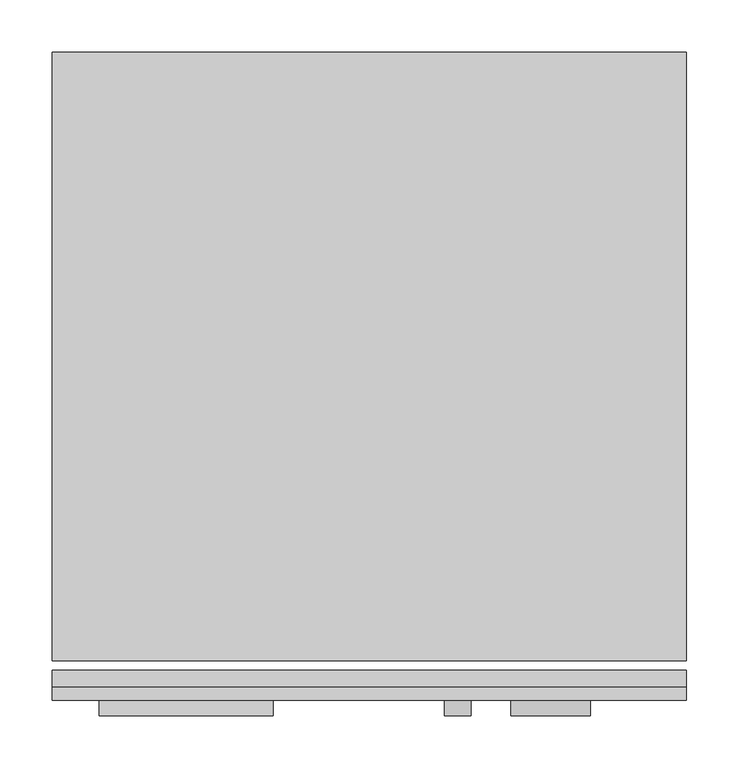
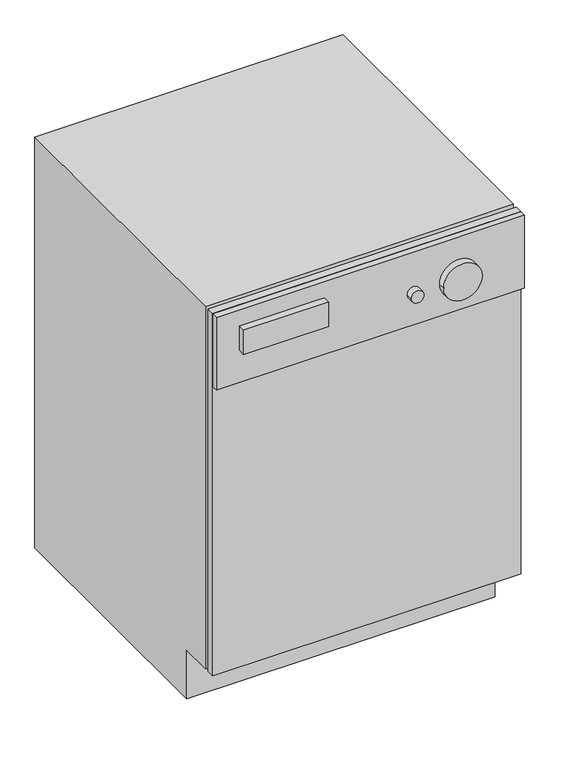
"""IFC4 building model written with IfcOpenShell, lengths in millimetres: proxy geometry."""

from ifc_helpers import new_model, si_unit, point, frame, frame_2d, origin, place, context, project, spatial, polyline, circle_curve, trimmed, segment, composite_curve, outline, extrude, source, transform, mapped, element, save


def specialty_equipment_47db8dec(model_context):
    return source(origin(), model_context, "Body", "SweptSolid", [
        extrude(outline(polyline([(687.5174685, -38.3504352), (77.5174685, -38.3504352), (77.5174685, -22.4754352), (687.5174685, -22.4754352), (687.5174685, -38.3504352)])), frame((0.0, 0.0, 101.6), z_axis=(0.0, 0.0, 1.0), x_axis=(1.0, 0.0, 0.0)), (0.0, 0.0, 1.0), 758.4),
        extrude(outline(polyline([(687.5174685, -38.3504352), (687.5174685, -51.0504352), (77.5174685, -51.0504352), (77.5174685, -38.3504352), (687.5174685, -38.3504352)])), frame((0.0, 0.0, 707.6), z_axis=(0.0, 0.0, 1.0), x_axis=(1.0, 0.0, 0.0)), (0.0, 0.0, 1.0), 152.4),
        extrude(outline(polyline([(571.6495648, 0.0), (50.5495648, 0.0), (50.5495648, 101.6), (-12.9504352, 101.6), (-12.9504352, 860.0), (571.6495648, 860.0), (571.6495648, 0.0)])), frame((77.5174685, 0.0, 0.0), z_axis=(1.0, 0.0, 0.0), x_axis=(0.0, 1.0, 0.0)), (0.0, 0.0, 1.0), 610.0),
        extrude(outline(polyline([(290.2347603, -66.0504352), (122.8347603, -66.0504352), (122.8347603, -51.0504352), (290.2347603, -51.0504352), (290.2347603, -66.0504352)])), frame((0.0, 0.0, 775.6663551), z_axis=(0.0, 0.0, 1.0), x_axis=(1.0, 0.0, 0.0)), (0.0, 0.0, 1.0), 50.8),
        extrude(outline(composite_curve([segment(trimmed(circle_curve(frame_2d((775.6663551, 467.3393328)), 12.7), [point((775.6663551, 480.0393328))], [point((775.6663551, 454.6393328))], False, "CARTESIAN"), True, "CONTINUOUS"), segment(trimmed(circle_curve(frame_2d((775.6663551, 467.3393328)), 12.7), [point((775.6663551, 454.6393328))], [point((775.6663551, 480.0393328))], False, "CARTESIAN"), True, "CONTINUOUS")], self_intersect=False)), frame((0.0, -66.0504352, 0.0), z_axis=(0.0, 1.0, 0.0), x_axis=(0.0, 0.0, 1.0)), (0.0, 0.0, 1.0), 15.0),
        extrude(outline(composite_curve([segment(trimmed(circle_curve(frame_2d((775.6663551, 556.7855874)), 38.1), [point((775.6663551, 594.8855874))], [point((775.6663551, 518.6855874))], False, "CARTESIAN"), True, "CONTINUOUS"), segment(trimmed(circle_curve(frame_2d((775.6663551, 556.7855874)), 38.1), [point((775.6663551, 518.6855874))], [point((775.6663551, 594.8855874))], False, "CARTESIAN"), True, "CONTINUOUS")], self_intersect=False)), frame((0.0, -66.0504352, 0.0), z_axis=(0.0, 1.0, 0.0), x_axis=(0.0, 0.0, 1.0)), (0.0, 0.0, 1.0), 15.0),
    ])


if __name__ == "__main__":
    model = new_model("IFC4")
    model_context = context("Model", 3, world=origin())
    ifc_project = project(units=[si_unit("LENGTHUNIT", "METRE", prefix="MILLI")], contexts=[model_context])
    site = spatial("IfcSite", under=ifc_project)
    building = spatial("IfcBuilding", under=site)
    placement = place(None, origin())
    specialty_equipment_shape = specialty_equipment_47db8dec(model_context)
    element("IfcBuildingElementProxy", 1, Name="Specialty Equipment", at=placement, inside=building, context=model_context, shape_type="MappedRepresentation", body=[
        mapped(specialty_equipment_shape, transform((0.0, 0.0, 0.0), x_axis=(1.0, 0.0, 0.0), y_axis=(0.0, 1.0, 0.0), z_axis=(0.0, 0.0, 1.0))),
    ])
    save(model, "model.ifc")
